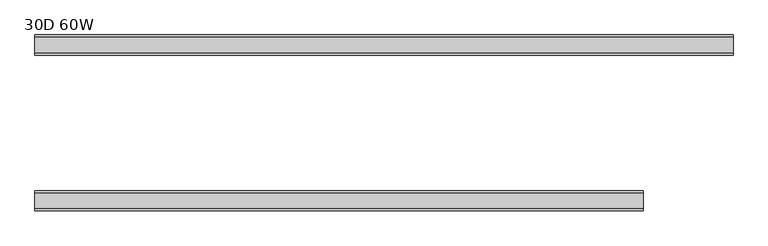
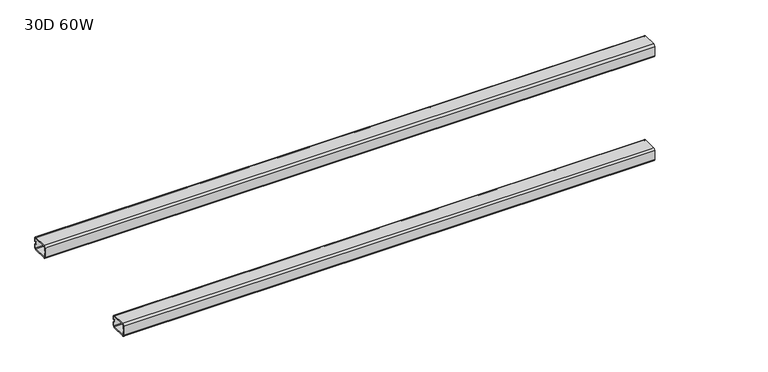
"""IFC4 building model written with IfcOpenShell, lengths in millimetres: furniture geometry, 30D 60W."""

from ifc_helpers import new_model, si_unit, frame, origin, place, context, project, spatial, polyline, circle_curve, source, transform, mapped, element, save
from ifc_brep_helpers import plane_surface, cylinder_surface, revolved_surface, advanced_brep


def furniture_30d_60w_3a2707c1(model_context):
    return source(origin(), model_context, "Body", "AdvancedBrep", [
        advanced_brep(
        [(917.0922134, -469.00288, 711.2), (917.0922134, -501.00288, 711.2), (917.0922134, -505.00288, 707.2), (917.0922134, -505.00288, 685.2), (917.0922134, -501.00288, 681.2), (917.0922134, -469.00288, 681.2), (917.0922134, -465.00288, 685.2), (917.0922134, -465.00288, 707.2), (917.0922134, -501.00288, 709.2), (917.0922134, -469.00288, 709.2), (917.0922134, -467.00288, 707.2), (917.0922134, -467.00288, 685.2), (917.0922134, -469.00288, 683.2), (917.0922134, -501.00288, 683.2), (917.0922134, -503.00288, 685.2), (917.0922134, -503.00288, 707.2), (-292.5773572, -501.00288, 709.2), (-292.5773572, -503.00288, 707.2), (-292.5773572, -503.00288, 699.7), (-292.5773572, -505.00288, 699.7), (-292.5773572, -505.00288, 707.2), (-292.5773572, -501.00288, 711.2), (-292.5773572, -469.00288, 711.2), (-292.5773572, -465.00288, 707.2), (-292.5773572, -465.00288, 699.7), (-292.5773572, -467.00288, 699.7), (-292.5773572, -467.00288, 707.2), (-292.5773572, -469.00288, 709.2), (-292.5773572, -503.00288, 685.2), (-292.5773572, -501.00288, 683.2), (-292.5773572, -469.00288, 683.2), (-292.5773572, -467.00288, 685.2), (-292.5773572, -467.00288, 692.7), (-292.5773572, -465.00288, 692.7), (-292.5773572, -465.00288, 685.2), (-292.5773572, -469.00288, 681.2), (-292.5773572, -501.00288, 681.2), (-292.5773572, -505.00288, 685.2), (-292.5773572, -505.00288, 692.7), (-292.5773572, -503.00288, 692.7), (-291.2123572, -503.00288, 692.7), (-290.5773572, -503.00288, 693.335), (-290.5773572, -503.00288, 699.065), (-291.2123572, -503.00288, 699.7), (-291.2123572, -467.00288, 699.7), (-290.5773572, -467.00288, 699.065), (-290.5773572, -467.00288, 693.335), (-291.2123572, -467.00288, 692.7), (-291.2123572, -465.00288, 692.7), (-290.5773572, -465.00288, 693.335), (-290.5773572, -465.00288, 699.065), (-291.2123572, -465.00288, 699.7), (-291.2123572, -505.00288, 699.7), (-290.5773572, -505.00288, 699.065), (-290.5773572, -505.00288, 693.335), (-291.2123572, -505.00288, 692.7)],
        [
            (0, 1),
            (1, 2, circle_curve(frame((917.0922134, -501.00288, 707.2), z_axis=(1.0, 0.0, 0.0), x_axis=(0.0, -1.0, 0.0)), 4.0)),
            (2, 3),
            (3, 4, circle_curve(frame((917.0922134, -501.00288, 685.2), z_axis=(1.0, 0.0, 0.0), x_axis=(0.0, -1.0, 0.0)), 4.0)),
            (4, 5),
            (5, 6, circle_curve(frame((917.0922134, -469.00288, 685.2), z_axis=(1.0, 0.0, 0.0), x_axis=(0.0, -1.0, 0.0)), 4.0)),
            (6, 7),
            (7, 0, circle_curve(frame((917.0922134, -469.00288, 707.2), z_axis=(1.0, 0.0, 0.0), x_axis=(0.0, -1.0, 0.0)), 4.0)),
            (8, 9),
            (9, 10, circle_curve(frame((917.0922134, -469.00288, 707.2), z_axis=(-1.0, 0.0, 0.0), x_axis=(0.0, -1.0, 0.0)), 2.0)),
            (10, 11),
            (11, 12, circle_curve(frame((917.0922134, -469.00288, 685.2), z_axis=(-1.0, 0.0, 0.0), x_axis=(0.0, -1.0, 0.0)), 2.0)),
            (12, 13),
            (13, 14, circle_curve(frame((917.0922134, -501.00288, 685.2), z_axis=(-1.0, 0.0, 0.0), x_axis=(0.0, -1.0, 0.0)), 2.0)),
            (14, 15),
            (15, 8, circle_curve(frame((917.0922134, -501.00288, 707.2), z_axis=(-1.0, 0.0, 0.0), x_axis=(0.0, -1.0, 0.0)), 2.0)),
            (16, 17, circle_curve(frame((-292.5773572, -501.00288, 707.2), z_axis=(1.0, 0.0, 0.0), x_axis=(0.0, -1.0, 0.0)), 2.0)),
            (17, 18),
            (18, 19),
            (19, 20),
            (20, 21, circle_curve(frame((-292.5773572, -501.00288, 707.2), z_axis=(-1.0, 0.0, 0.0), x_axis=(0.0, -1.0, 0.0)), 4.0)),
            (21, 22),
            (22, 23, circle_curve(frame((-292.5773572, -469.00288, 707.2), z_axis=(-1.0, 0.0, 0.0), x_axis=(0.0, -1.0, 0.0)), 4.0)),
            (23, 24),
            (24, 25),
            (25, 26),
            (26, 27, circle_curve(frame((-292.5773572, -469.00288, 707.2), z_axis=(1.0, 0.0, 0.0), x_axis=(0.0, -1.0, 0.0)), 2.0)),
            (27, 16),
            (28, 29, circle_curve(frame((-292.5773572, -501.00288, 685.2), z_axis=(1.0, 0.0, 0.0), x_axis=(0.0, -1.0, 0.0)), 2.0)),
            (29, 30),
            (30, 31, circle_curve(frame((-292.5773572, -469.00288, 685.2), z_axis=(1.0, 0.0, 0.0), x_axis=(0.0, -1.0, 0.0)), 2.0)),
            (31, 32),
            (32, 33),
            (33, 34),
            (34, 35, circle_curve(frame((-292.5773572, -469.00288, 685.2), z_axis=(-1.0, 0.0, 0.0), x_axis=(0.0, -1.0, 0.0)), 4.0)),
            (35, 36),
            (36, 37, circle_curve(frame((-292.5773572, -501.00288, 685.2), z_axis=(-1.0, 0.0, 0.0), x_axis=(0.0, -1.0, 0.0)), 4.0)),
            (37, 38),
            (38, 39),
            (39, 28),
            (15, 17),
            (16, 8),
            (14, 28),
            (39, 40),
            (40, 41, circle_curve(frame((-291.2123572, -503.00288, 693.335), z_axis=(0.0, -1.0, 0.0), x_axis=(0.0, 0.0, 1.0)), 0.635)),
            (41, 42),
            (42, 43, circle_curve(frame((-291.2123572, -503.00288, 699.065), z_axis=(0.0, -1.0, 0.0), x_axis=(0.0, 0.0, 1.0)), 0.635)),
            (43, 18),
            (13, 29),
            (12, 30),
            (11, 31),
            (10, 26),
            (25, 44),
            (44, 45, circle_curve(frame((-291.2123572, -467.00288, 699.065), z_axis=(0.0, 1.0, 0.0), x_axis=(0.0, 0.0, 1.0)), 0.635)),
            (45, 46),
            (46, 47, circle_curve(frame((-291.2123572, -467.00288, 693.335), z_axis=(0.0, 1.0, 0.0), x_axis=(0.0, 0.0, 1.0)), 0.635)),
            (47, 32),
            (9, 27),
            (7, 23),
            (22, 0),
            (6, 34),
            (33, 48),
            (48, 49, circle_curve(frame((-291.2123572, -465.00288, 693.335), z_axis=(0.0, -1.0, 0.0), x_axis=(0.0, 0.0, 1.0)), 0.635)),
            (49, 50),
            (50, 51, circle_curve(frame((-291.2123572, -465.00288, 699.065), z_axis=(0.0, -1.0, 0.0), x_axis=(0.0, 0.0, 1.0)), 0.635)),
            (51, 24),
            (5, 35),
            (4, 36),
            (3, 37),
            (2, 20),
            (19, 52),
            (52, 53, circle_curve(frame((-291.2123572, -505.00288, 699.065), z_axis=(0.0, 1.0, 0.0), x_axis=(0.0, 0.0, 1.0)), 0.635)),
            (53, 54),
            (54, 55, circle_curve(frame((-291.2123572, -505.00288, 693.335), z_axis=(0.0, 1.0, 0.0), x_axis=(0.0, 0.0, 1.0)), 0.635)),
            (55, 38),
            (1, 21),
            (43, 52),
            (51, 44),
            (42, 53),
            (50, 45),
            (41, 54),
            (49, 46),
            (40, 55),
            (48, 47),
        ],
        [
            plane_surface(frame((917.0922134, -469.00288, 709.2), z_axis=(1.0, 0.0, 0.0), x_axis=(0.0, 1.0, 0.0))),
            plane_surface(frame((-292.5773572, -469.00288, 709.2), z_axis=(-1.0, 0.0, 0.0), x_axis=(0.0, -1.0, 0.0))),
            revolved_surface(polyline([(-292.5773572, -503.00288, 707.2), (917.0922134, -503.00288, 707.2)]), (-292.5773572, -501.00288, 707.2), (-1.0, 0.0, 0.0)),
            plane_surface(frame((917.0922134, -503.00288, 685.2), z_axis=(0.0, 1.0, 0.0), x_axis=(-1.0, 0.0, 0.0))),
            revolved_surface(polyline([(-292.5773572, -503.00288, 685.2), (917.0922134, -503.00288, 685.2)]), (-292.5773572, -501.00288, 685.2), (-1.0, 0.0, 0.0)),
            plane_surface(frame((917.0922134, -469.00288, 683.2), z_axis=(0.0, 0.0, 1.0), x_axis=(-1.0, 0.0, 0.0))),
            revolved_surface(polyline([(-292.5773572, -471.00288, 685.2), (917.0922134, -471.00288, 685.2)]), (-292.5773572, -469.00288, 685.2), (-1.0, 0.0, 0.0)),
            plane_surface(frame((917.0922134, -467.00288, 707.2), z_axis=(0.0, -1.0, 0.0), x_axis=(-1.0, 0.0, 0.0))),
            revolved_surface(polyline([(-292.5773572, -471.00288, 707.2), (917.0922134, -471.00288, 707.2)]), (-292.5773572, -469.00288, 707.2), (-1.0, 0.0, 0.0)),
            plane_surface(frame((917.0922134, -501.00288, 709.2), z_axis=(0.0, 0.0, -1.0), x_axis=(-1.0, 0.0, 0.0))),
            cylinder_surface(frame((-314.5483572, -469.00288, 707.2), z_axis=(1.0, 0.0, 0.0), x_axis=(0.0, -1.0, 0.0)), 4.0),
            plane_surface(frame((917.0922134, -465.00288, 685.2), z_axis=(0.0, 1.0, 0.0), x_axis=(-1.0, 0.0, 0.0))),
            cylinder_surface(frame((-314.5483572, -469.00288, 685.2), z_axis=(1.0, 0.0, 0.0), x_axis=(0.0, -1.0, 0.0)), 4.0),
            plane_surface(frame((917.0922134, -501.00288, 681.2), z_axis=(0.0, 0.0, -1.0), x_axis=(-1.0, 0.0, 0.0))),
            cylinder_surface(frame((-314.5483572, -501.00288, 685.2), z_axis=(1.0, 0.0, 0.0), x_axis=(0.0, -1.0, 0.0)), 4.0),
            plane_surface(frame((917.0922134, -505.00288, 707.2), z_axis=(0.0, -1.0, 0.0), x_axis=(-1.0, 0.0, 0.0))),
            cylinder_surface(frame((-314.5483572, -501.00288, 707.2), z_axis=(1.0, 0.0, 0.0), x_axis=(0.0, -1.0, 0.0)), 4.0),
            plane_surface(frame((917.0922134, -469.00288, 711.2), z_axis=(0.0, 0.0, 1.0), x_axis=(-1.0, 0.0, 0.0))),
            plane_surface(frame((-291.2123572, -505.00288, 699.7), z_axis=(0.0, 0.0, -1.0), x_axis=(0.0, 1.0, 0.0))),
            revolved_surface(polyline([(-291.2123572, -505.00288, 699.7), (-291.2123572, -503.00288, 699.7)]), (-291.2123572, -465.00288, 699.065), (0.0, -1.0, 0.0)),
            revolved_surface(polyline([(-291.2123572, -467.00288, 699.7), (-291.2123572, -465.00288, 699.7)]), (-291.2123572, -465.00288, 699.065), (0.0, -1.0, 0.0)),
            plane_surface(frame((-290.5773572, -505.00288, 693.335), z_axis=(-1.0, 0.0, 0.0), x_axis=(0.0, 1.0, 0.0))),
            revolved_surface(polyline([(-291.2123572, -505.00288, 693.97), (-291.2123572, -503.00288, 693.97)]), (-291.2123572, -465.00288, 693.335), (0.0, -1.0, 0.0)),
            revolved_surface(polyline([(-291.2123572, -467.00288, 693.97), (-291.2123572, -465.00288, 693.97)]), (-291.2123572, -465.00288, 693.335), (0.0, -1.0, 0.0)),
            plane_surface(frame((-292.5773572, -505.00288, 692.7), z_axis=(0.0, 0.0, 1.0), x_axis=(0.0, 1.0, 0.0))),
        ],
        [
            (0, [[1, 2, 3, 4, 5, 6, 7, 8], [9, 10, 11, 12, 13, 14, 15, 16]]),
            (1, [[17, 18, 19, 20, 21, 22, 23, 24, 25, 26, 27, 28]]),
            (1, [[29, 30, 31, 32, 33, 34, 35, 36, 37, 38, 39, 40]]),
            (2, [[-16, 41, -17, 42]]),
            (3, [[-15, 43, -40, 44, 45, 46, 47, 48, -18, -41]]),
            (4, [[-14, 49, -29, -43]]),
            (5, [[-13, 50, -30, -49]]),
            (6, [[-12, 51, -31, -50]]),
            (7, [[-11, 52, -26, 53, 54, 55, 56, 57, -32, -51]]),
            (8, [[-10, 58, -27, -52]]),
            (9, [[-9, -42, -28, -58]]),
            (10, [[-8, 59, -23, 60]]),
            (11, [[-7, 61, -34, 62, 63, 64, 65, 66, -24, -59]]),
            (12, [[-6, 67, -35, -61]]),
            (13, [[-5, 68, -36, -67]]),
            (14, [[-4, 69, -37, -68]]),
            (15, [[-3, 70, -20, 71, 72, 73, 74, 75, -38, -69]]),
            (16, [[-2, 76, -21, -70]]),
            (17, [[-1, -60, -22, -76]]),
            (18, [[77, -71, -19, -48]]),
            (18, [[78, -53, -25, -66]]),
            (19, [[-77, -47, 79, -72]]),
            (20, [[-78, -65, 80, -54]]),
            (21, [[-79, -46, 81, -73]]),
            (21, [[-80, -64, 82, -55]]),
            (22, [[-81, -45, 83, -74]]),
            (23, [[-82, -63, 84, -56]]),
            (24, [[-83, -44, -39, -75]]),
            (24, [[-84, -62, -33, -57]]),
        ],
    ),
        advanced_brep(
        [(1095.9898428, -190.99588, 711.2), (1095.9898428, -194.99588, 707.2), (1095.9898428, -194.99588, 685.2), (1095.9898428, -190.99588, 681.2), (1095.9898428, -158.99588, 681.2), (1095.9898428, -154.99588, 685.2), (1095.9898428, -154.99588, 707.2), (1095.9898428, -158.99588, 711.2), (1095.9898428, -158.99588, 709.2), (1095.9898428, -156.99588, 707.2), (1095.9898428, -156.99588, 685.2), (1095.9898428, -158.99588, 683.2), (1095.9898428, -190.99588, 683.2), (1095.9898428, -192.99588, 685.2), (1095.9898428, -192.99588, 707.2), (1095.9898428, -190.99588, 709.2), (-292.5773572, -158.99588, 709.2), (-292.5773572, -190.99588, 709.2), (-292.5773572, -192.99588, 707.2), (-292.5773572, -192.99588, 699.7), (-292.5773572, -194.99588, 699.7), (-292.5773572, -194.99588, 707.2), (-292.5773572, -190.99588, 711.2), (-292.5773572, -158.99588, 711.2), (-292.5773572, -154.99588, 707.2), (-292.5773572, -154.99588, 699.7), (-292.5773572, -156.99588, 699.7), (-292.5773572, -156.99588, 707.2), (-292.5773572, -192.99588, 685.2), (-292.5773572, -190.99588, 683.2), (-292.5773572, -158.99588, 683.2), (-292.5773572, -156.99588, 685.2), (-292.5773572, -156.99588, 692.7), (-292.5773572, -154.99588, 692.7), (-292.5773572, -154.99588, 685.2), (-292.5773572, -158.99588, 681.2), (-292.5773572, -190.99588, 681.2), (-292.5773572, -194.99588, 685.2), (-292.5773572, -194.99588, 692.7), (-292.5773572, -192.99588, 692.7), (-291.2123572, -156.99588, 699.7), (-290.5773572, -156.99588, 699.065), (-290.5773572, -156.99588, 693.335), (-291.2123572, -156.99588, 692.7), (-291.2123572, -192.99588, 692.7), (-290.5773572, -192.99588, 693.335), (-290.5773572, -192.99588, 699.065), (-291.2123572, -192.99588, 699.7), (-291.2123572, -194.99588, 699.7), (-290.5773572, -194.99588, 699.065), (-290.5773572, -194.99588, 693.335), (-291.2123572, -194.99588, 692.7), (-291.2123572, -154.99588, 692.7), (-290.5773572, -154.99588, 693.335), (-290.5773572, -154.99588, 699.065), (-291.2123572, -154.99588, 699.7)],
        [
            (0, 1, circle_curve(frame((1095.9898428, -190.99588, 707.2), z_axis=(1.0, 0.0, 0.0), x_axis=(0.0, 1.0, 0.0)), 4.0)),
            (1, 2),
            (2, 3, circle_curve(frame((1095.9898428, -190.99588, 685.2), z_axis=(1.0, 0.0, 0.0), x_axis=(0.0, 1.0, 0.0)), 4.0)),
            (3, 4),
            (4, 5, circle_curve(frame((1095.9898428, -158.99588, 685.2), z_axis=(1.0, 0.0, 0.0), x_axis=(0.0, 1.0, 0.0)), 4.0)),
            (5, 6),
            (6, 7, circle_curve(frame((1095.9898428, -158.99588, 707.2), z_axis=(1.0, 0.0, 0.0), x_axis=(0.0, 1.0, 0.0)), 4.0)),
            (7, 0),
            (8, 9, circle_curve(frame((1095.9898428, -158.99588, 707.2), z_axis=(-1.0, 0.0, 0.0), x_axis=(0.0, 1.0, 0.0)), 2.0)),
            (9, 10),
            (10, 11, circle_curve(frame((1095.9898428, -158.99588, 685.2), z_axis=(-1.0, 0.0, 0.0), x_axis=(0.0, 1.0, 0.0)), 2.0)),
            (11, 12),
            (12, 13, circle_curve(frame((1095.9898428, -190.99588, 685.2), z_axis=(-1.0, 0.0, 0.0), x_axis=(0.0, 1.0, 0.0)), 2.0)),
            (13, 14),
            (14, 15, circle_curve(frame((1095.9898428, -190.99588, 707.2), z_axis=(-1.0, 0.0, 0.0), x_axis=(0.0, 1.0, 0.0)), 2.0)),
            (15, 8),
            (16, 17),
            (17, 18, circle_curve(frame((-292.5773572, -190.99588, 707.2), z_axis=(1.0, 0.0, 0.0), x_axis=(0.0, 1.0, 0.0)), 2.0)),
            (18, 19),
            (19, 20),
            (20, 21),
            (21, 22, circle_curve(frame((-292.5773572, -190.99588, 707.2), z_axis=(-1.0, 0.0, 0.0), x_axis=(0.0, 1.0, 0.0)), 4.0)),
            (22, 23),
            (23, 24, circle_curve(frame((-292.5773572, -158.99588, 707.2), z_axis=(-1.0, 0.0, 0.0), x_axis=(0.0, 1.0, 0.0)), 4.0)),
            (24, 25),
            (25, 26),
            (26, 27),
            (27, 16, circle_curve(frame((-292.5773572, -158.99588, 707.2), z_axis=(1.0, 0.0, 0.0), x_axis=(0.0, 1.0, 0.0)), 2.0)),
            (28, 29, circle_curve(frame((-292.5773572, -190.99588, 685.2), z_axis=(1.0, 0.0, 0.0), x_axis=(0.0, 1.0, 0.0)), 2.0)),
            (29, 30),
            (30, 31, circle_curve(frame((-292.5773572, -158.99588, 685.2), z_axis=(1.0, 0.0, 0.0), x_axis=(0.0, 1.0, 0.0)), 2.0)),
            (31, 32),
            (32, 33),
            (33, 34),
            (34, 35, circle_curve(frame((-292.5773572, -158.99588, 685.2), z_axis=(-1.0, 0.0, 0.0), x_axis=(0.0, 1.0, 0.0)), 4.0)),
            (35, 36),
            (36, 37, circle_curve(frame((-292.5773572, -190.99588, 685.2), z_axis=(-1.0, 0.0, 0.0), x_axis=(0.0, 1.0, 0.0)), 4.0)),
            (37, 38),
            (38, 39),
            (39, 28),
            (8, 16),
            (27, 9),
            (26, 40),
            (40, 41, circle_curve(frame((-291.2123572, -156.99588, 699.065), z_axis=(0.0, 1.0, 0.0), x_axis=(0.0, 0.0, 1.0)), 0.635)),
            (41, 42),
            (42, 43, circle_curve(frame((-291.2123572, -156.99588, 693.335), z_axis=(0.0, 1.0, 0.0), x_axis=(0.0, 0.0, 1.0)), 0.635)),
            (43, 32),
            (31, 10),
            (30, 11),
            (29, 12),
            (28, 13),
            (39, 44),
            (44, 45, circle_curve(frame((-291.2123572, -192.99588, 693.335), z_axis=(0.0, -1.0, 0.0), x_axis=(0.0, 0.0, 1.0)), 0.635)),
            (45, 46),
            (46, 47, circle_curve(frame((-291.2123572, -192.99588, 699.065), z_axis=(0.0, -1.0, 0.0), x_axis=(0.0, 0.0, 1.0)), 0.635)),
            (47, 19),
            (18, 14),
            (17, 15),
            (0, 22),
            (21, 1),
            (20, 48),
            (48, 49, circle_curve(frame((-291.2123572, -194.99588, 699.065), z_axis=(0.0, 1.0, 0.0), x_axis=(0.0, 0.0, 1.0)), 0.635)),
            (49, 50),
            (50, 51, circle_curve(frame((-291.2123572, -194.99588, 693.335), z_axis=(0.0, 1.0, 0.0), x_axis=(0.0, 0.0, 1.0)), 0.635)),
            (51, 38),
            (37, 2),
            (36, 3),
            (35, 4),
            (34, 5),
            (33, 52),
            (52, 53, circle_curve(frame((-291.2123572, -154.99588, 693.335), z_axis=(0.0, -1.0, 0.0), x_axis=(0.0, 0.0, 1.0)), 0.635)),
            (53, 54),
            (54, 55, circle_curve(frame((-291.2123572, -154.99588, 699.065), z_axis=(0.0, -1.0, 0.0), x_axis=(0.0, 0.0, 1.0)), 0.635)),
            (55, 25),
            (24, 6),
            (23, 7),
            (55, 40),
            (47, 48),
            (54, 41),
            (46, 49),
            (53, 42),
            (45, 50),
            (52, 43),
            (44, 51),
        ],
        [
            plane_surface(frame((1095.9898428, -156.99588, 707.2), z_axis=(1.0, 0.0, 0.0), x_axis=(0.0, 0.0, -1.0))),
            plane_surface(frame((-292.5773572, -156.99588, 707.2), z_axis=(-1.0, 0.0, 0.0), x_axis=(0.0, 0.0, 1.0))),
            revolved_surface(polyline([(-292.5773572, -156.99588, 707.2), (1095.9898428, -156.99588, 707.2)]), (-292.5773572, -158.99588, 707.2), (-1.0, 0.0, 0.0)),
            plane_surface(frame((1095.9898428, -156.99588, 707.2), z_axis=(0.0, -1.0, 0.0), x_axis=(-1.0, 0.0, 0.0))),
            revolved_surface(polyline([(-292.5773572, -156.99588, 685.2), (1095.9898428, -156.99588, 685.2)]), (-292.5773572, -158.99588, 685.2), (-1.0, 0.0, 0.0)),
            plane_surface(frame((1095.9898428, -158.99588, 683.2), z_axis=(0.0, 0.0, 1.0), x_axis=(-1.0, 0.0, 0.0))),
            revolved_surface(polyline([(-292.5773572, -188.99588, 685.2), (1095.9898428, -188.99588, 685.2)]), (-292.5773572, -190.99588, 685.2), (-1.0, 0.0, 0.0)),
            plane_surface(frame((1095.9898428, -192.99588, 685.2), z_axis=(0.0, 1.0, 0.0), x_axis=(-1.0, 0.0, 0.0))),
            revolved_surface(polyline([(-292.5773572, -188.99588, 707.2), (1095.9898428, -188.99588, 707.2)]), (-292.5773572, -190.99588, 707.2), (-1.0, 0.0, 0.0)),
            plane_surface(frame((1095.9898428, -190.99588, 709.2), z_axis=(0.0, 0.0, -1.0), x_axis=(-1.0, 0.0, 0.0))),
            cylinder_surface(frame((-314.5483572, -190.99588, 707.2), z_axis=(1.0, 0.0, 0.0), x_axis=(0.0, 1.0, 0.0)), 4.0),
            plane_surface(frame((1095.9898428, -194.99588, 707.2), z_axis=(0.0, -1.0, 0.0), x_axis=(-1.0, 0.0, 0.0))),
            cylinder_surface(frame((-314.5483572, -190.99588, 685.2), z_axis=(1.0, 0.0, 0.0), x_axis=(0.0, 1.0, 0.0)), 4.0),
            plane_surface(frame((1095.9898428, -190.99588, 681.2), z_axis=(0.0, 0.0, -1.0), x_axis=(-1.0, 0.0, 0.0))),
            cylinder_surface(frame((-314.5483572, -158.99588, 685.2), z_axis=(1.0, 0.0, 0.0), x_axis=(0.0, 1.0, 0.0)), 4.0),
            plane_surface(frame((1095.9898428, -154.99588, 685.2), z_axis=(0.0, 1.0, 0.0), x_axis=(-1.0, 0.0, 0.0))),
            cylinder_surface(frame((-314.5483572, -158.99588, 707.2), z_axis=(1.0, 0.0, 0.0), x_axis=(0.0, 1.0, 0.0)), 4.0),
            plane_surface(frame((1095.9898428, -158.99588, 711.2), z_axis=(0.0, 0.0, 1.0), x_axis=(-1.0, 0.0, 0.0))),
            plane_surface(frame((-292.5773572, -154.99588, 699.7), z_axis=(0.0, 0.0, -1.0), x_axis=(0.0, -1.0, 0.0))),
            revolved_surface(polyline([(-291.2123572, -154.99588, 699.7), (-291.2123572, -156.99588, 699.7)]), (-291.2123572, -194.99588, 699.065), (0.0, 1.0, 0.0)),
            revolved_surface(polyline([(-291.2123572, -192.99588, 699.7), (-291.2123572, -194.99588, 699.7)]), (-291.2123572, -194.99588, 699.065), (0.0, 1.0, 0.0)),
            plane_surface(frame((-290.5773572, -154.99588, 699.065), z_axis=(-1.0, 0.0, 0.0), x_axis=(0.0, -1.0, 0.0))),
            revolved_surface(polyline([(-291.2123572, -154.99588, 693.97), (-291.2123572, -156.99588, 693.97)]), (-291.2123572, -194.99588, 693.335), (0.0, 1.0, 0.0)),
            revolved_surface(polyline([(-291.2123572, -192.99588, 693.97), (-291.2123572, -194.99588, 693.97)]), (-291.2123572, -194.99588, 693.335), (0.0, 1.0, 0.0)),
            plane_surface(frame((-291.2123572, -154.99588, 692.7), z_axis=(0.0, 0.0, 1.0), x_axis=(0.0, -1.0, 0.0))),
        ],
        [
            (0, [[1, 2, 3, 4, 5, 6, 7, 8], [9, 10, 11, 12, 13, 14, 15, 16]]),
            (1, [[17, 18, 19, 20, 21, 22, 23, 24, 25, 26, 27, 28]]),
            (1, [[29, 30, 31, 32, 33, 34, 35, 36, 37, 38, 39, 40]]),
            (2, [[-9, 41, -28, 42]]),
            (3, [[-10, -42, -27, 43, 44, 45, 46, 47, -32, 48]]),
            (4, [[-11, -48, -31, 49]]),
            (5, [[-12, -49, -30, 50]]),
            (6, [[-13, -50, -29, 51]]),
            (7, [[-14, -51, -40, 52, 53, 54, 55, 56, -19, 57]]),
            (8, [[-15, -57, -18, 58]]),
            (9, [[-16, -58, -17, -41]]),
            (10, [[-1, 59, -22, 60]]),
            (11, [[-2, -60, -21, 61, 62, 63, 64, 65, -38, 66]]),
            (12, [[-3, -66, -37, 67]]),
            (13, [[-4, -67, -36, 68]]),
            (14, [[-5, -68, -35, 69]]),
            (15, [[-6, -69, -34, 70, 71, 72, 73, 74, -25, 75]]),
            (16, [[-7, -75, -24, 76]]),
            (17, [[-8, -76, -23, -59]]),
            (18, [[77, -43, -26, -74]]),
            (18, [[78, -61, -20, -56]]),
            (19, [[-77, -73, 79, -44]]),
            (20, [[-78, -55, 80, -62]]),
            (21, [[-79, -72, 81, -45]]),
            (21, [[-80, -54, 82, -63]]),
            (22, [[-81, -71, 83, -46]]),
            (23, [[-82, -53, 84, -64]]),
            (24, [[-83, -70, -33, -47]]),
            (24, [[-84, -52, -39, -65]]),
        ],
    ),
    ])


if __name__ == "__main__":
    model = new_model("IFC4")
    model_context = context("Model", 3, world=origin())
    ifc_project = project(units=[si_unit("LENGTHUNIT", "METRE", prefix="MILLI")], contexts=[model_context])
    site = spatial("IfcSite", under=ifc_project)
    building = spatial("IfcBuilding", under=site)
    placement = place(None, origin())
    furniture_30d_60w_shape = furniture_30d_60w_3a2707c1(model_context)
    element("IfcFurniture", 1, ObjectType="30D 60W", at=placement, inside=building, context=model_context, shape_type="MappedRepresentation", body=[
        mapped(furniture_30d_60w_shape, transform((0.0, 0.0, 0.0), x_axis=(1.0, 0.0, 0.0), y_axis=(0.0, 1.0, 0.0), z_axis=(0.0, 0.0, 1.0))),
    ])
    save(model, "model.ifc")
